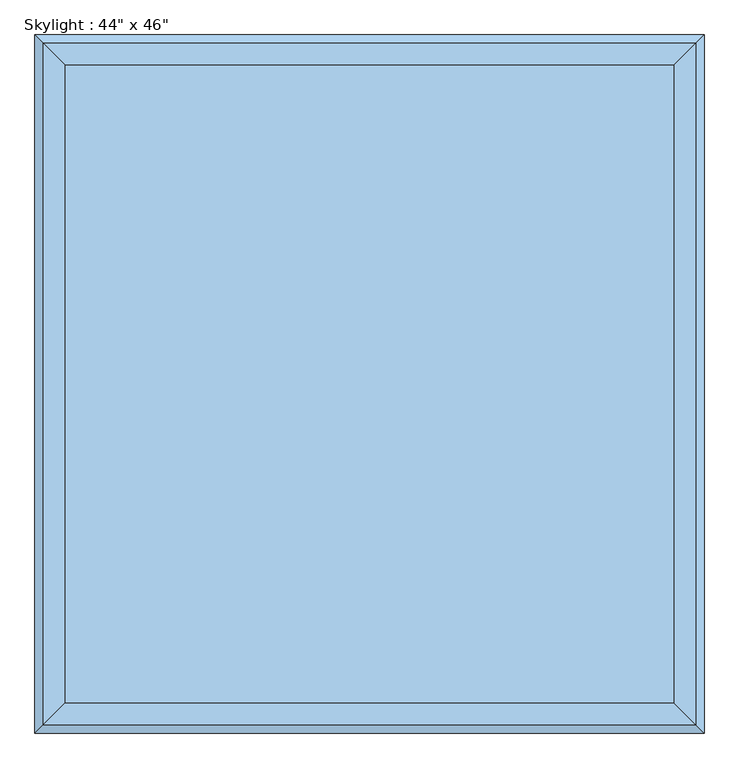
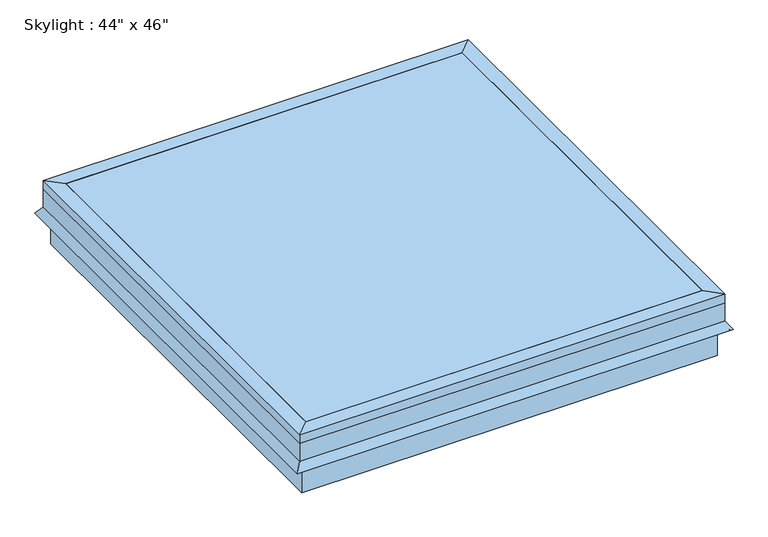
"""IFC4 building model written with IfcOpenShell, lengths in millimetres: window geometry."""

from ifc_helpers import new_model, si_unit, frame, origin, place, context, project, spatial, polyline, outline, extrude, faceted_brep, source, transform, mapped, element, save


def window_42eaca1e(model_context):
    return source(origin(), model_context, "Body", "SolidModel", [
        faceted_brep([(254.440073, 370.1040988, 4019.55), (279.840073, 395.5040988, 4019.55), (279.840073, -772.8959012, 4019.55), (254.440073, -747.4959012, 4019.55), (254.440073, 370.1040988, 4044.95), (254.440073, -747.4959012, 4044.95), (292.540073, 408.2040988, 4044.95), (292.540073, -785.5959012, 4044.95), (292.540073, 408.2040988, 4019.55), (292.540073, -785.5959012, 4019.55), (292.540073, 408.2040988, 3968.75), (292.540073, -785.5959012, 3968.75), (307.1089145, 422.7729403, 3947.9435381), (307.1089145, -800.1647427, 3947.9435381), (301.907299, 417.5713248, 3944.3013277), (301.907299, -794.9631272, 3944.3013277), (286.190073, 401.8540988, 3966.7478527), (286.190073, -779.2459012, 3966.7478527), (286.190073, 401.8540988, 4019.55), (286.190073, -779.2459012, 4019.55), (-837.759927, -772.8959012, 4019.55), (-812.359927, -747.4959012, 4019.55), (-812.359927, -747.4959012, 4044.95), (-850.459927, -785.5959012, 4044.95), (-850.459927, -785.5959012, 4019.55), (-850.459927, -785.5959012, 3968.75), (-865.0287685, -800.1647427, 3947.9435381), (-859.827153, -794.9631272, 3944.3013277), (-844.109927, -779.2459012, 3966.7478527), (-844.109927, -779.2459012, 4019.55), (-837.759927, 395.5040988, 4019.55), (-812.359927, 370.1040988, 4019.55), (-812.359927, 370.1040988, 4044.95), (-850.459927, 408.2040988, 4044.95), (-850.459927, 408.2040988, 4019.55), (-850.459927, 408.2040988, 3968.75), (-865.0287685, 422.7729403, 3947.9435381), (-859.827153, 417.5713248, 3944.3013277), (-844.109927, 401.8540988, 3966.7478527), (-844.109927, 401.8540988, 4019.55)], [[[0, 1, 2, 3]], [[4, 0, 3, 5]], [[6, 4, 5, 7]], [[8, 6, 7, 9]], [[10, 8, 9, 11]], [[12, 10, 11, 13]], [[14, 12, 13, 15]], [[16, 14, 15, 17]], [[18, 16, 17, 19]], [[1, 18, 19, 2]], [[3, 2, 20, 21]], [[5, 3, 21, 22]], [[7, 5, 22, 23]], [[9, 7, 23, 24]], [[11, 9, 24, 25]], [[13, 11, 25, 26]], [[15, 13, 26, 27]], [[17, 15, 27, 28]], [[19, 17, 28, 29]], [[2, 19, 29, 20]], [[21, 20, 30, 31]], [[22, 21, 31, 32]], [[23, 22, 32, 33]], [[24, 23, 33, 34]], [[25, 24, 34, 35]], [[26, 25, 35, 36]], [[27, 26, 36, 37]], [[28, 27, 37, 38]], [[29, 28, 38, 39]], [[20, 29, 39, 30]], [[31, 30, 1, 0]], [[32, 31, 0, 4]], [[33, 32, 4, 6]], [[34, 33, 6, 8]], [[35, 34, 8, 10]], [[36, 35, 10, 12]], [[37, 36, 12, 14]], [[38, 37, 14, 16]], [[39, 38, 16, 18]], [[30, 39, 18, 1]]]),
        faceted_brep([(279.840073, -772.8959012, 4019.55), (279.840073, -772.8959012, 3867.15), (279.840073, 395.5040988, 3867.15), (279.840073, 395.5040988, 4019.55), (254.440073, -747.4959012, 4019.55), (254.440073, 370.1040988, 4019.55), (254.440073, -747.4959012, 3994.15), (254.440073, 370.1040988, 3994.15), (235.390073, -728.4459012, 3994.15), (235.390073, 351.0540988, 3994.15), (235.390073, -728.4459012, 3867.15), (235.390073, 351.0540988, 3867.15), (-837.759927, 395.5040988, 3867.15), (-837.759927, 395.5040988, 4019.55), (-812.359927, 370.1040988, 4019.55), (-812.359927, 370.1040988, 3994.15), (-793.309927, 351.0540988, 3994.15), (-793.309927, 351.0540988, 3867.15), (-837.759927, -772.8959012, 3867.15), (-837.759927, -772.8959012, 4019.55), (-812.359927, -747.4959012, 4019.55), (-812.359927, -747.4959012, 3994.15), (-793.309927, -728.4459012, 3994.15), (-793.309927, -728.4459012, 3867.15)], [[[0, 1, 2, 3]], [[4, 0, 3, 5]], [[6, 4, 5, 7]], [[8, 6, 7, 9]], [[10, 8, 9, 11]], [[1, 10, 11, 2]], [[3, 2, 12, 13]], [[5, 3, 13, 14]], [[7, 5, 14, 15]], [[9, 7, 15, 16]], [[11, 9, 16, 17]], [[2, 11, 17, 12]], [[13, 12, 18, 19]], [[14, 13, 19, 20]], [[15, 14, 20, 21]], [[16, 15, 21, 22]], [[17, 16, 22, 23]], [[12, 17, 23, 18]], [[19, 18, 1, 0]], [[20, 19, 0, 4]], [[21, 20, 4, 6]], [[22, 21, 6, 8]], [[23, 22, 8, 10]], [[18, 23, 10, 1]]]),
        extrude(outline(polyline([(254.440073, -747.4959012), (-812.359927, -747.4959012), (-812.359927, 370.1040988), (254.440073, 370.1040988), (254.440073, -747.4959012)])), frame((0.0, 0.0, 4038.6), z_axis=(0.0, 0.0, 1.0), x_axis=(1.0, 0.0, 0.0)), (0.0, 0.0, 1.0), 6.35),
    ])


if __name__ == "__main__":
    model = new_model("IFC4")
    model_context = context("Model", 3, world=origin())
    ifc_project = project(units=[si_unit("LENGTHUNIT", "METRE", prefix="MILLI")], contexts=[model_context])
    site = spatial("IfcSite", under=ifc_project)
    building = spatial("IfcBuilding", under=site)
    placement = place(None, origin())
    window_shape = window_42eaca1e(model_context)
    element("IfcWindow", 1, ObjectType="Skylight : 44\" x 46\"", at=placement, inside=building, context=model_context, shape_type="MappedRepresentation", body=[
        mapped(window_shape, transform((0.0, 0.0, 0.0), x_axis=(1.0, 0.0, 0.0), y_axis=(0.0, 1.0, 0.0), z_axis=(0.0, 0.0, 1.0))),
    ])
    save(model, "model.ifc")
